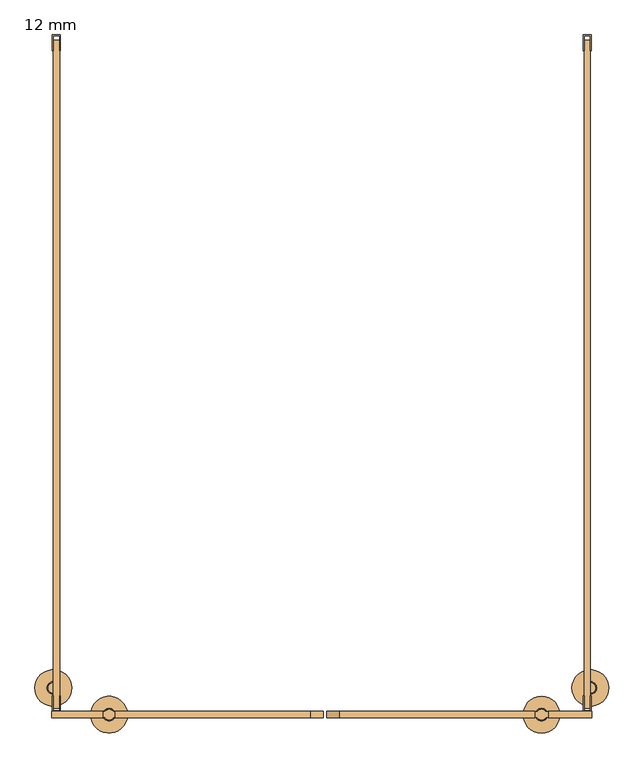
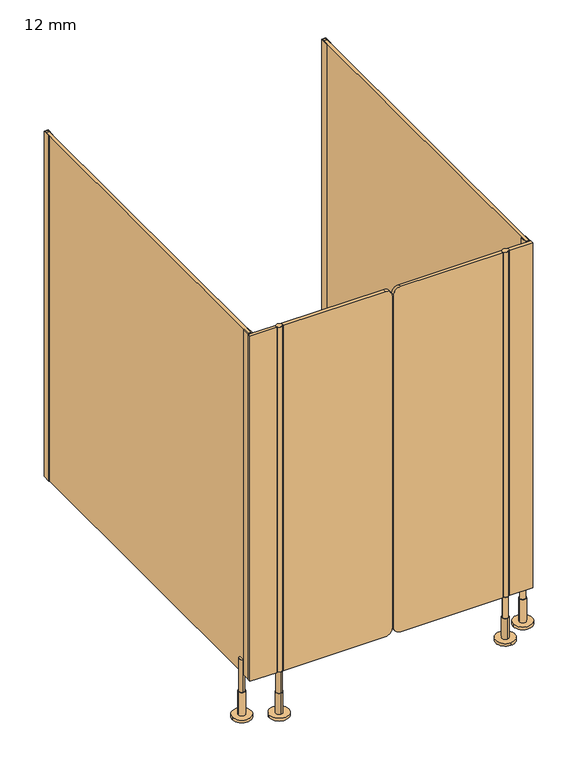
"""IFC4 building model written with IfcOpenShell, lengths in millimetres: door geometry, 12 mm."""

import ifcopenshell
import ifcopenshell.guid

model = None  # the IFC model being written
_history = None  # IfcOwnerHistory: only IFC2X3 demands one
_inside = {}  # id of a spatial element -> (the spatial element, [elements in it])
_under = {}  # id of a project, library or spatial element -> (it, [spatial elements below it])
_declared = {}  # id of a project -> (the project, [libraries it declares])
_typed = {}  # id of a type object -> (the type object, [elements of that type])
_made_of = {}  # id of a material, layer set ... -> (it, [elements and type objects made of it])


def new_model(schema):
    """Start an empty IFC model of exactly this schema.

    Asked for "IFC4X3", IfcOpenShell would pick the latest addendum, in which some entities
    have other attributes; the version numbers below select the first issue.
    IFC2X3 requires an IfcOwnerHistory on every rooted entity: one is made here for all.
    """
    global model, _history
    if schema == "IFC4X3":
        model = ifcopenshell.file(schema_version=(4, 3, 0, 0))
    else:
        model = ifcopenshell.file(schema=schema)
    _inside.clear()
    _under.clear()
    _declared.clear()
    _typed.clear()
    _made_of.clear()
    _history = None
    if model.schema == "IFC2X3":
        org = make("IfcOrganization", Name="unknown")
        user = make(
            "IfcPersonAndOrganization",
            ThePerson=make("IfcPerson", FamilyName="unknown"),
            TheOrganization=org,
        )
        app = make(
            "IfcApplication",
            ApplicationDeveloper=org,
            Version="unknown",
            ApplicationFullName="unknown",
            ApplicationIdentifier="unknown",
        )
        _history = make(
            "IfcOwnerHistory",
            OwningUser=user,
            OwningApplication=app,
            ChangeAction="ADDED",
            CreationDate=0,
        )
    return model


def make(cls, **values):
    """One entity of the class cls with the attributes given. An attribute that is None is left unset."""
    return model.create_entity(
        cls, **{name: value for name, value in values.items() if value is not None}
    )


def rooted(cls, **values):
    """An entity with a GlobalId (a new one), such as an element, a storey or a relation."""
    return make(cls, GlobalId=ifcopenshell.guid.new(), OwnerHistory=_history, **values)


def si_unit(unit_type, name, prefix=None):
    """IfcSIUnit, for example si_unit("LENGTHUNIT", "METRE", prefix="MILLI")."""
    return make("IfcSIUnit", UnitType=unit_type, Prefix=prefix, Name=name)


def assignment(units):
    """IfcUnitAssignment: the units of a project."""
    return None if units is None else make("IfcUnitAssignment", Units=units)


def point(xyz):
    """IfcCartesianPoint."""
    return None if xyz is None else make("IfcCartesianPoint", Coordinates=xyz)


def direction(xyz):
    """IfcDirection."""
    return None if xyz is None else make("IfcDirection", DirectionRatios=xyz)


def frame(location, z_axis=None, x_axis=None):
    """IfcAxis2Placement3D, a coordinate frame: its origin and axes. An axis left out is left unset."""
    return make(
        "IfcAxis2Placement3D",
        Location=point(location),
        Axis=direction(z_axis),
        RefDirection=direction(x_axis),
    )


def frame_2d(location, x_axis=None):
    """IfcAxis2Placement2D, a coordinate frame in the plane: its origin and x axis."""
    return make(
        "IfcAxis2Placement2D", Location=point(location), RefDirection=direction(x_axis)
    )


def origin():
    """The frame at (0, 0, 0) with its axes left unset."""
    return frame((0.0, 0.0, 0.0))


def place(relative_to, where):
    """IfcLocalPlacement: puts the frame where relative to a parent placement (None: the world)."""
    return make(
        "IfcLocalPlacement", PlacementRelTo=relative_to, RelativePlacement=where
    )


def context(
    kind, dimensions, precision=None, world=None, true_north=None, identifier=None
):
    """IfcGeometricRepresentationContext, for example the 3D "Model" context."""
    return make(
        "IfcGeometricRepresentationContext",
        ContextIdentifier=identifier,
        ContextType=kind,
        CoordinateSpaceDimension=dimensions,
        Precision=precision,
        WorldCoordinateSystem=world,
        TrueNorth=true_north,
    )


def project(units=None, contexts=None):
    """IfcProject with its units and contexts."""
    return rooted(
        "IfcProject",
        Name="project",
        RepresentationContexts=contexts,
        UnitsInContext=assignment(units),
    )


def spatial(cls, under=None, at=None, **own):
    """A site, building, storey or space (cls), placed at a placement, below another one or the project."""
    s = rooted(cls, ObjectPlacement=at, **own)
    if under is not None:
        _under.setdefault(under.id(), (under, []))[1].append(s)
    return s


def polyline(points):
    """IfcPolyline through the points."""
    return make("IfcPolyline", Points=[point(p) for p in points])


def circle_curve(where, radius):
    """IfcCircle in the frame where."""
    return make("IfcCircle", Position=where, Radius=radius)


def trimmed(basis, trim1, trim2, sense, master):
    """IfcTrimmedCurve: the piece of a basis curve between two trims."""
    return make(
        "IfcTrimmedCurve",
        BasisCurve=basis,
        Trim1=trim1,
        Trim2=trim2,
        SenseAgreement=sense,
        MasterRepresentation=master,
    )


def segment(curve, same_sense, transition):
    """IfcCompositeCurveSegment."""
    return make(
        "IfcCompositeCurveSegment",
        Transition=transition,
        SameSense=same_sense,
        ParentCurve=curve,
    )


def composite_curve(segments, self_intersect=None):
    """IfcCompositeCurve: segments joined end to end."""
    return make("IfcCompositeCurve", Segments=segments, SelfIntersect=self_intersect)


def outline(outer, holes=None, kind="AREA"):
    """IfcArbitraryClosedProfileDef: a profile drawn as a closed curve; with holes, ...WithVoids."""
    if holes is None:
        return make("IfcArbitraryClosedProfileDef", ProfileType=kind, OuterCurve=outer)
    return make(
        "IfcArbitraryProfileDefWithVoids",
        ProfileType=kind,
        OuterCurve=outer,
        InnerCurves=holes,
    )


def extrude(swept, where, along, depth):
    """IfcExtrudedAreaSolid: the profile swept, set in the frame where, extruded along a direction by depth."""
    return make(
        "IfcExtrudedAreaSolid",
        SweptArea=swept,
        Position=where,
        ExtrudedDirection=direction(along),
        Depth=depth,
    )


def shape(context_of_items, identifier, shape_type, items):
    """IfcShapeRepresentation: the items that make up one representation, for example the "Body"."""
    return make(
        "IfcShapeRepresentation",
        ContextOfItems=context_of_items,
        RepresentationIdentifier=identifier,
        RepresentationType=shape_type,
        Items=items,
    )


def source(mapping_origin, context_of_items, identifier, shape_type, items):
    """IfcRepresentationMap: a shape defined once, which mapped items show again and again."""
    return make(
        "IfcRepresentationMap",
        MappingOrigin=mapping_origin,
        MappedRepresentation=shape(context_of_items, identifier, shape_type, items),
    )


def transform(
    local_origin,
    x_axis=None,
    y_axis=None,
    z_axis=None,
    scale=None,
    scale2=None,
    scale3=None,
    uniform=True,
):
    """IfcCartesianTransformationOperator3D, or its non-uniform kind. x_axis, y_axis, z_axis: its Axis1, 2, 3."""
    if uniform:
        return make(
            "IfcCartesianTransformationOperator3D",
            Axis1=direction(x_axis),
            Axis2=direction(y_axis),
            LocalOrigin=point(local_origin),
            Scale=scale,
            Axis3=direction(z_axis),
        )
    return make(
        "IfcCartesianTransformationOperator3DnonUniform",
        Axis1=direction(x_axis),
        Axis2=direction(y_axis),
        LocalOrigin=point(local_origin),
        Scale=scale,
        Axis3=direction(z_axis),
        Scale2=scale2,
        Scale3=scale3,
    )


def mapped(mapping_source, mapping_target):
    """IfcMappedItem: shows the shape of a source again, moved by a transform."""
    return make(
        "IfcMappedItem", MappingSource=mapping_source, MappingTarget=mapping_target
    )


def made_of(thing, what):
    """Note that an element or type object is made of a material, layer set ...; save() writes the relation."""
    if what is not None:
        _made_of.setdefault(what.id(), (what, []))[1].append(thing)
    return thing


def element(
    cls,
    number,
    at=None,
    inside=None,
    cuts=None,
    type_object=None,
    material=None,
    context=None,
    identifier="Body",
    shape_type=None,
    held_by="IfcProductDefinitionShape",
    body=None,
    shapes=None,
    **own,
):
    """One element of the class cls, such as IfcWall. Its Tag is "e" and its number.

    at: its placement. inside: the storey or other place that contains it. cuts: it is an
    opening in that element (IfcRelVoidsElement). A single representation is given by context,
    identifier, shape_type and body (its items); several are given by shapes. held_by: the class
    of the entity that holds the representations. save() writes the other relations.
    """
    e = rooted(cls, Tag="e%d" % number, ObjectPlacement=at, **own)
    if body is not None:
        shapes = [shape(context, identifier, shape_type, body)]
    if shapes is not None:
        e.Representation = make(held_by, Representations=shapes)
    if inside is not None:
        _inside.setdefault(inside.id(), (inside, []))[1].append(e)
    if cuts is not None:
        rooted(
            "IfcRelVoidsElement", RelatingBuildingElement=cuts, RelatedOpeningElement=e
        )
    if type_object is not None:
        _typed.setdefault(type_object.id(), (type_object, []))[1].append(e)
    return made_of(e, material)


def aggregate(whole, parts):
    """IfcRelAggregates: a whole, such as a stair, and the parts it consists of."""
    return rooted("IfcRelAggregates", RelatingObject=whole, RelatedObjects=parts)


def save(model, path):
    """Write the relations noted so far, then the file.

    IfcRelAggregates (storeys below a building ...), IfcRelContainedInSpatialStructure (elements
    in a storey), IfcRelDefinesByType, IfcRelAssociatesMaterial and IfcRelDeclares: one each for
    every whole, place, type object, material and project.
    """
    for whole, parts in _under.values():
        aggregate(whole, parts)
    for where, things in _inside.values():
        rooted(
            "IfcRelContainedInSpatialStructure",
            RelatedElements=things,
            RelatingStructure=where,
        )
    for kind, things in _typed.values():
        rooted("IfcRelDefinesByType", RelatedObjects=things, RelatingType=kind)
    for what, things in _made_of.values():
        rooted("IfcRelAssociatesMaterial", RelatedObjects=things, RelatingMaterial=what)
    for by, libraries in _declared.values():
        rooted("IfcRelDeclares", RelatingContext=by, RelatedDefinitions=libraries)
    model.write(path)


def plane_surface(at):
    """IfcPlane: the flat surface through the origin of the frame at, square to its z axis."""
    return make("IfcPlane", Position=at)


def cylinder_surface(at, radius):
    """IfcCylindricalSurface: all points at the distance radius from the z axis of the frame at."""
    return make("IfcCylindricalSurface", Position=at, Radius=radius)


def advanced_brep(points, edges, surfaces, faces):
    """IfcAdvancedBrep: a solid bounded by faces that lie on surfaces and meet in shared edges.

    An edge is (start, end): straight between two places in points (the first is 0);
    or (start, end, curve); or (start, end, curve, False) where it runs against its curve.
    A face is (place in surfaces, loops), or (place, loops, False) where it looks against
    its surface's normal. A loop lists edges by number (the first is 1), with a minus sign
    where the edge is run from its end to its start. The first loop is the outer one.
    """
    corners = [point(p) for p in points]
    vertices = [make("IfcVertexPoint", VertexGeometry=c) for c in corners]
    made = []
    for start, end, *more in edges:
        made.append(
            make(
                "IfcEdgeCurve",
                EdgeStart=vertices[start],
                EdgeEnd=vertices[end],
                EdgeGeometry=more[0] if more else make("IfcPolyline", Points=[corners[start], corners[end]]),
                SameSense=more[1] if len(more) > 1 else True,
            )
        )
    hull = []
    for where, loops, *sense in faces:
        bounds = []
        for j, loop in enumerate(loops):
            ring = [make("IfcOrientedEdge", EdgeElement=made[abs(k) - 1], Orientation=k > 0) for k in loop]
            bounds.append(
                make(
                    "IfcFaceOuterBound" if j == 0 else "IfcFaceBound",
                    Bound=make("IfcEdgeLoop", EdgeList=ring),
                    Orientation=True,
                )
            )
        hull.append(make("IfcAdvancedFace", Bounds=bounds, FaceSurface=surfaces[where], SameSense=sense[0] if sense else True))
    return make("IfcAdvancedBrep", Outer=make("IfcClosedShell", CfsFaces=hull))


def door_12_mm_bc3233fb(model_context):
    return source(origin(), model_context, "Body", "SolidModel", [
        advanced_brep(
        [(429.0, -1296.0, 170.0), (409.0, -1296.0, 170.0), (409.0, -1296.0, 90.0), (429.0, -1296.0, 90.0), (419.0, -1284.0, 90.0), (419.0, -1308.0, 90.0), (419.0, -1284.0, 10.0), (419.0, -1308.0, 10.0), (419.0, -1261.0, 10.0), (419.0, -1331.0, 10.0), (419.0, -1261.0, 0.0), (419.0, -1331.0, 0.0)],
        [
            (0, 1, circle_curve(frame((419.0, -1296.0, 170.0), z_axis=(0.0, 0.0, 1.0), x_axis=(-1.0, 0.0, 0.0)), 10.0)),
            (1, 0, circle_curve(frame((419.0, -1296.0, 170.0), z_axis=(0.0, 0.0, 1.0), x_axis=(-1.0, 0.0, 0.0)), 10.0)),
            (1, 2),
            (2, 3, circle_curve(frame((419.0, -1296.0, 90.0), z_axis=(0.0, 0.0, 1.0), x_axis=(-1.0, 0.0, 0.0)), 10.0)),
            (3, 0),
            (3, 2, circle_curve(frame((419.0, -1296.0, 90.0), z_axis=(0.0, 0.0, 1.0), x_axis=(-1.0, 0.0, 0.0)), 10.0)),
            (4, 5, circle_curve(frame((419.0, -1296.0, 90.0), z_axis=(0.0, 0.0, 1.0), x_axis=(0.0, -1.0, 0.0)), 12.0)),
            (5, 4, circle_curve(frame((419.0, -1296.0, 90.0), z_axis=(0.0, 0.0, 1.0), x_axis=(0.0, -1.0, 0.0)), 12.0)),
            (4, 6),
            (6, 7, circle_curve(frame((419.0, -1296.0, 10.0), z_axis=(0.0, 0.0, 1.0), x_axis=(0.0, -1.0, 0.0)), 12.0)),
            (7, 5),
            (7, 6, circle_curve(frame((419.0, -1296.0, 10.0), z_axis=(0.0, 0.0, 1.0), x_axis=(0.0, -1.0, 0.0)), 12.0)),
            (8, 9, circle_curve(frame((419.0, -1296.0, 10.0), z_axis=(0.0, 0.0, 1.0), x_axis=(0.0, -1.0, 0.0)), 35.0)),
            (9, 8, circle_curve(frame((419.0, -1296.0, 10.0), z_axis=(0.0, 0.0, 1.0), x_axis=(0.0, -1.0, 0.0)), 35.0)),
            (10, 11, circle_curve(frame((419.0, -1296.0, 0.0), z_axis=(0.0, 0.0, -1.0), x_axis=(0.0, -1.0, 0.0)), 35.0)),
            (11, 10, circle_curve(frame((419.0, -1296.0, 0.0), z_axis=(0.0, 0.0, -1.0), x_axis=(0.0, -1.0, 0.0)), 35.0)),
            (8, 10),
            (11, 9),
        ],
        [
            plane_surface(frame((419.0, -1290.0, 170.0), z_axis=(0.0, 0.0, 1.0), x_axis=(0.0, -1.0, 0.0))),
            cylinder_surface(frame((419.0, -1296.0, 90.0), z_axis=(0.0, 0.0, -1.0), x_axis=(-1.0, 0.0, 0.0)), 10.0),
            plane_surface(frame((419.0, -1290.0, 90.0), z_axis=(0.0, 0.0, 1.0), x_axis=(0.0, -1.0, 0.0))),
            cylinder_surface(frame((419.0, -1296.0, 90.0), z_axis=(0.0, 0.0, 1.0), x_axis=(0.0, -1.0, 0.0)), 12.0),
            plane_surface(frame((419.0, -1290.0, 10.0), z_axis=(0.0, 0.0, 1.0), x_axis=(0.0, -1.0, 0.0))),
            plane_surface(frame((419.0, -1290.0, 0.0), z_axis=(0.0, 0.0, -1.0), x_axis=(0.0, -1.0, 0.0))),
            cylinder_surface(frame((419.0, -1296.0, 10.0), z_axis=(0.0, 0.0, 1.0), x_axis=(0.0, -1.0, 0.0)), 35.0),
        ],
        [
            (0, [[1, 2]]),
            (1, [[-2, 3, 4, 5]]),
            (1, [[-1, -5, 6, -3]]),
            (2, [[7, 8], [-4, -6]]),
            (3, [[-7, 9, 10, 11]]),
            (3, [[-8, -11, 12, -9]]),
            (4, [[13, 14], [-10, -12]]),
            (5, [[15, 16]]),
            (6, [[-13, 17, -16, 18]]),
            (6, [[-14, -18, -15, -17]]),
        ],
    ),
        advanced_brep(
        [(-405.5, -1306.0, 170.0), (-405.5, -1286.0, 170.0), (-405.5, -1286.0, 90.0), (-405.5, -1306.0, 90.0), (-405.5, -1284.0, 90.0), (-405.5, -1308.0, 90.0), (-405.5, -1284.0, 10.0), (-405.5, -1308.0, 10.0), (-370.5, -1296.0, 0.0), (-440.5, -1296.0, 0.0), (-370.5, -1296.0, 10.0), (-440.5, -1296.0, 10.0)],
        [
            (0, 1, circle_curve(frame((-405.5, -1296.0, 170.0), z_axis=(0.0, 0.0, -1.0), x_axis=(0.0, -1.0, 0.0)), 10.0)),
            (1, 2),
            (2, 3, circle_curve(frame((-405.5, -1296.0, 90.0), z_axis=(0.0, 0.0, 1.0), x_axis=(0.0, -1.0, 0.0)), 10.0)),
            (3, 0),
            (1, 0, circle_curve(frame((-405.5, -1296.0, 170.0), z_axis=(0.0, 0.0, -1.0), x_axis=(0.0, -1.0, 0.0)), 10.0)),
            (3, 2, circle_curve(frame((-405.5, -1296.0, 90.0), z_axis=(0.0, 0.0, 1.0), x_axis=(0.0, -1.0, 0.0)), 10.0)),
            (4, 5, circle_curve(frame((-405.5, -1296.0, 90.0), z_axis=(0.0, 0.0, 1.0), x_axis=(0.0, -1.0, 0.0)), 12.0)),
            (5, 4, circle_curve(frame((-405.5, -1296.0, 90.0), z_axis=(0.0, 0.0, 1.0), x_axis=(0.0, -1.0, 0.0)), 12.0)),
            (4, 6),
            (6, 7, circle_curve(frame((-405.5, -1296.0, 10.0), z_axis=(0.0, 0.0, 1.0), x_axis=(0.0, -1.0, 0.0)), 12.0)),
            (7, 5),
            (7, 6, circle_curve(frame((-405.5, -1296.0, 10.0), z_axis=(0.0, 0.0, 1.0), x_axis=(0.0, -1.0, 0.0)), 12.0)),
            (8, 9, circle_curve(frame((-405.5, -1296.0, 0.0), z_axis=(0.0, 0.0, -1.0), x_axis=(-1.0, 0.0, 0.0)), 35.0)),
            (9, 8, circle_curve(frame((-405.5, -1296.0, 0.0), z_axis=(0.0, 0.0, -1.0), x_axis=(-1.0, 0.0, 0.0)), 35.0)),
            (10, 11, circle_curve(frame((-405.5, -1296.0, 10.0), z_axis=(0.0, 0.0, 1.0), x_axis=(-1.0, 0.0, 0.0)), 35.0)),
            (11, 10, circle_curve(frame((-405.5, -1296.0, 10.0), z_axis=(0.0, 0.0, 1.0), x_axis=(-1.0, 0.0, 0.0)), 35.0)),
            (8, 10),
            (11, 9),
        ],
        [
            cylinder_surface(frame((-405.5, -1296.0, 170.0), z_axis=(0.0, 0.0, 1.0), x_axis=(0.0, -1.0, 0.0)), 10.0),
            plane_surface(frame((-405.5, -1290.0, 90.0), z_axis=(0.0, 0.0, 1.0), x_axis=(0.0, -1.0, 0.0))),
            cylinder_surface(frame((-405.5, -1296.0, 90.0), z_axis=(0.0, 0.0, 1.0), x_axis=(0.0, -1.0, 0.0)), 12.0),
            plane_surface(frame((-405.5, -1290.0, 0.0), z_axis=(0.0, 0.0, -1.0), x_axis=(0.0, -1.0, 0.0))),
            plane_surface(frame((-405.5, -1290.0, 10.0), z_axis=(0.0, 0.0, 1.0), x_axis=(0.0, -1.0, 0.0))),
            cylinder_surface(frame((-405.5, -1296.0, 0.0), z_axis=(0.0, 0.0, -1.0), x_axis=(-1.0, 0.0, 0.0)), 35.0),
            plane_surface(frame((-405.5, -1290.0, 170.0), z_axis=(0.0, 0.0, 1.0), x_axis=(0.0, -1.0, 0.0))),
        ],
        [
            (0, [[1, 2, 3, 4]]),
            (0, [[5, -4, 6, -2]]),
            (1, [[7, 8], [-3, -6]]),
            (2, [[-7, 9, 10, 11]]),
            (2, [[-8, -11, 12, -9]]),
            (3, [[13, 14]]),
            (4, [[15, 16], [-10, -12]]),
            (5, [[-13, 17, -16, 18]]),
            (5, [[-14, -18, -15, -17]]),
            (6, [[-1, -5]]),
        ],
    ),
        extrude(outline(composite_curve([segment(polyline([(170.0, 406.0), (1500.0, 406.0), (1500.0, 34.0002203)]), True, "CONTINUOUS"), segment(trimmed(circle_curve(frame_2d((1475.0, 34.0002203)), 25.0), [point((1500.0, 34.0002203))], [point((1475.0, 9.0002203))], False, "CARTESIAN"), True, "CONTINUOUS"), segment(polyline([(1475.0, 9.0002203), (195.0, 9.0002203)]), True, "CONTINUOUS"), segment(trimmed(circle_curve(frame_2d((195.0, 34.0002203)), 25.0), [point((195.0, 9.0002203))], [point((170.0, 34.0002203))], False, "CARTESIAN"), True, "CONTINUOUS"), segment(polyline([(170.0, 34.0002203), (170.0, 406.0)]), True, "CONTINUOUS")], self_intersect=False)), frame((0.0, -1302.0, 0.0), z_axis=(0.0, 1.0, 0.0), x_axis=(0.0, 0.0, 1.0)), (0.0, 0.0, 1.0), 12.0),
        extrude(outline(composite_curve([segment(polyline([(1500.0, -394.0), (170.0, -394.0), (170.0, -22.0002203)]), True, "CONTINUOUS"), segment(trimmed(circle_curve(frame_2d((195.0, -22.0002203)), 25.0), [point((170.0, -22.0002203))], [point((195.0, 2.9997797))], False, "CARTESIAN"), True, "CONTINUOUS"), segment(polyline([(195.0, 2.9997797), (1475.0, 2.9997797)]), True, "CONTINUOUS"), segment(trimmed(circle_curve(frame_2d((1475.0, -22.0002203)), 25.0), [point((1475.0, 2.9997797))], [point((1500.0, -22.0002203))], False, "CARTESIAN"), True, "CONTINUOUS"), segment(polyline([(1500.0, -22.0002203), (1500.0, -394.0)]), True, "CONTINUOUS")], self_intersect=False)), frame((0.0, -1302.0, 0.0), z_axis=(0.0, 1.0, 0.0), x_axis=(0.0, 0.0, 1.0)), (0.0, 0.0, 1.0), 12.0),
        extrude(outline(composite_curve([segment(trimmed(circle_curve(frame_2d((-405.5, -1296.0)), 10.0), [point((-413.5, -1290.0))], [point((-397.5, -1290.0))], False, "CARTESIAN"), True, "CONTINUOUS"), segment(trimmed(circle_curve(frame_2d((-405.5, -1296.0)), 10.0), [point((-397.5, -1290.0))], [point((-396.8391323, -1291.0010631))], False, "CARTESIAN"), True, "CONTINUOUS"), segment(polyline([(-396.8391323, -1291.0010631), (-394.0, -1291.0010631), (-394.0, -1300.9989369), (-396.8391323, -1300.9989369)]), True, "CONTINUOUS"), segment(trimmed(circle_curve(frame_2d((-405.5, -1296.0)), 10.0), [point((-396.8391323, -1300.9989369))], [point((-414.1608677, -1300.9989369))], False, "CARTESIAN"), True, "CONTINUOUS"), segment(polyline([(-414.1608677, -1300.9989369), (-417.0, -1300.9989369), (-417.0, -1291.0010631), (-414.1608677, -1291.0010631)]), True, "CONTINUOUS"), segment(trimmed(circle_curve(frame_2d((-405.5, -1296.0)), 10.0), [point((-414.1608677, -1291.0010631))], [point((-413.5, -1290.0))], False, "CARTESIAN"), True, "CONTINUOUS")], self_intersect=False)), frame((0.0, 0.0, 170.0), z_axis=(0.0, 0.0, 1.0), x_axis=(1.0, 0.0, 0.0)), (0.0, 0.0, 1.0), 1330.0),
        extrude(outline(composite_curve([segment(trimmed(circle_curve(frame_2d((419.0, -1296.0)), 10.0), [point((427.6608677, -1300.9989369))], [point((410.3391323, -1300.9989369))], False, "CARTESIAN"), True, "CONTINUOUS"), segment(polyline([(410.3391323, -1300.9989369), (406.0, -1300.9989369), (406.0, -1291.0010631), (410.3391323, -1291.0010631)]), True, "CONTINUOUS"), segment(trimmed(circle_curve(frame_2d((419.0, -1296.0)), 10.0), [point((410.3391323, -1291.0010631))], [point((427.6608677, -1291.0010631))], False, "CARTESIAN"), True, "CONTINUOUS"), segment(polyline([(427.6608677, -1291.0010631), (432.0, -1291.0010631), (432.0, -1300.9989369), (427.6608677, -1300.9989369)]), True, "CONTINUOUS")], self_intersect=False)), frame((0.0, 0.0, 170.0), z_axis=(0.0, 0.0, 1.0), x_axis=(1.0, 0.0, 0.0)), (0.0, 0.0, 1.0), 1330.0),
        extrude(outline(polyline([(498.5, 0.0), (513.5, 0.0), (513.5, -30.0), (512.0, -30.0), (512.0, -1.5), (500.0, -1.5), (500.0, -30.0), (498.5, -30.0), (498.5, 0.0)])), frame((0.0, 0.0, 170.0), z_axis=(0.0, 0.0, 1.0), x_axis=(1.0, 0.0, 0.0)), (0.0, 0.0, 1.0), 1330.0),
        extrude(outline(polyline([(-513.5, 0.0), (-498.5, 0.0), (-498.5, -30.0), (-500.0, -30.0), (-500.0, -1.5), (-512.0, -1.5), (-512.0, -30.0), (-513.5, -30.0), (-513.5, 0.0)])), frame((0.0, 0.0, 170.0), z_axis=(0.0, 0.0, 1.0), x_axis=(1.0, 0.0, 0.0)), (0.0, 0.0, 1.0), 1330.0),
        extrude(outline(polyline([(432.0, -1290.0), (515.0, -1290.0), (515.0, -1302.0), (432.0, -1302.0), (432.0, -1290.0)])), frame((0.0, 0.0, 170.0), z_axis=(0.0, 0.0, 1.0), x_axis=(1.0, 0.0, 0.0)), (0.0, 0.0, 1.0), 1330.0),
        extrude(outline(polyline([(-417.0, -1290.0), (-417.0, -1302.0), (-515.0, -1302.0), (-515.0, -1290.0), (-417.0, -1290.0)])), frame((0.0, 0.0, 170.0), z_axis=(0.0, 0.0, 1.0), x_axis=(1.0, 0.0, 0.0)), (0.0, 0.0, 1.0), 1330.0),
        extrude(outline(polyline([(513.5, -1290.0), (498.5, -1290.0), (498.5, -1260.0), (500.0, -1260.0), (500.0, -1288.5), (512.0, -1288.5), (512.0, -1260.0), (513.5, -1260.0), (513.5, -1290.0)])), frame((0.0, 0.0, 170.0), z_axis=(0.0, 0.0, 1.0), x_axis=(1.0, 0.0, 0.0)), (0.0, 0.0, 1.0), 1330.0),
        extrude(outline(polyline([(-498.5, -1290.0), (-513.5, -1290.0), (-513.5, -1260.0), (-512.0, -1260.0), (-512.0, -1288.5), (-500.0, -1288.5), (-500.0, -1260.0), (-498.5, -1260.0), (-498.5, -1290.0)])), frame((0.0, 0.0, 170.0), z_axis=(0.0, 0.0, 1.0), x_axis=(1.0, 0.0, 0.0)), (0.0, 0.0, 1.0), 1330.0),
        advanced_brep(
        [(477.0, -1245.0, 0.0), (547.0, -1245.0, 0.0), (477.0, -1245.0, 10.0), (547.0, -1245.0, 10.0), (500.0, -1245.0, 10.0), (524.0, -1245.0, 10.0), (500.0, -1245.0, 100.0), (524.0, -1245.0, 100.0), (502.0, -1245.0, 100.0), (522.0, -1245.0, 100.0), (502.0, -1245.0, 225.5), (522.0, -1245.0, 225.5)],
        [
            (0, 1, circle_curve(frame((512.0, -1245.0, 0.0), z_axis=(0.0, 0.0, -1.0), x_axis=(1.0, 0.0, 0.0)), 35.0)),
            (1, 0, circle_curve(frame((512.0, -1245.0, 0.0), z_axis=(0.0, 0.0, -1.0), x_axis=(1.0, 0.0, 0.0)), 35.0)),
            (2, 3, circle_curve(frame((512.0, -1245.0, 10.0), z_axis=(0.0, 0.0, 1.0), x_axis=(1.0, 0.0, 0.0)), 35.0)),
            (3, 2, circle_curve(frame((512.0, -1245.0, 10.0), z_axis=(0.0, 0.0, 1.0), x_axis=(1.0, 0.0, 0.0)), 35.0)),
            (4, 5, circle_curve(frame((512.0, -1245.0, 10.0), z_axis=(0.0, 0.0, -1.0), x_axis=(1.0, 0.0, 0.0)), 12.0)),
            (5, 4, circle_curve(frame((512.0, -1245.0, 10.0), z_axis=(0.0, 0.0, -1.0), x_axis=(1.0, 0.0, 0.0)), 12.0)),
            (0, 2),
            (3, 1),
            (6, 7, circle_curve(frame((512.0, -1245.0, 100.0), z_axis=(0.0, 0.0, 1.0), x_axis=(1.0, 0.0, 0.0)), 12.0)),
            (7, 6, circle_curve(frame((512.0, -1245.0, 100.0), z_axis=(0.0, 0.0, 1.0), x_axis=(1.0, 0.0, 0.0)), 12.0)),
            (8, 9, circle_curve(frame((512.0, -1245.0, 100.0), z_axis=(0.0, 0.0, -1.0), x_axis=(1.0, 0.0, 0.0)), 10.0)),
            (9, 8, circle_curve(frame((512.0, -1245.0, 100.0), z_axis=(0.0, 0.0, -1.0), x_axis=(1.0, 0.0, 0.0)), 10.0)),
            (7, 5),
            (4, 6),
            (10, 11, circle_curve(frame((512.0, -1245.0, 225.5), z_axis=(0.0, 0.0, 1.0), x_axis=(1.0, 0.0, 0.0)), 10.0)),
            (11, 10, circle_curve(frame((512.0, -1245.0, 225.5), z_axis=(0.0, 0.0, 1.0), x_axis=(1.0, 0.0, 0.0)), 10.0)),
            (11, 9),
            (8, 10),
        ],
        [
            plane_surface(frame((506.0, -1296.0, 0.0), z_axis=(0.0, 0.0, -1.0), x_axis=(0.0, 1.0, 0.0))),
            plane_surface(frame((506.0, -1296.0, 10.0), z_axis=(0.0, 0.0, 1.0), x_axis=(0.0, 1.0, 0.0))),
            cylinder_surface(frame((512.0, -1245.0, 0.0), z_axis=(0.0, 0.0, -1.0), x_axis=(1.0, 0.0, 0.0)), 35.0),
            plane_surface(frame((506.0, -1296.0, 100.0), z_axis=(0.0, 0.0, 1.0), x_axis=(0.0, 1.0, 0.0))),
            cylinder_surface(frame((512.0, -1245.0, 10.0), z_axis=(0.0, 0.0, -1.0), x_axis=(1.0, 0.0, 0.0)), 12.0),
            plane_surface(frame((506.0, -1296.0, 225.5), z_axis=(0.0, 0.0, 1.0), x_axis=(0.0, 1.0, 0.0))),
            cylinder_surface(frame((512.0, -1245.0, 100.0), z_axis=(0.0, 0.0, -1.0), x_axis=(1.0, 0.0, 0.0)), 10.0),
        ],
        [
            (0, [[1, 2]]),
            (1, [[3, 4], [5, 6]]),
            (2, [[-1, 7, -4, 8]]),
            (2, [[-2, -8, -3, -7]]),
            (3, [[9, 10], [11, 12]]),
            (4, [[-10, 13, -5, 14]]),
            (4, [[-9, -14, -6, -13]]),
            (5, [[15, 16]]),
            (6, [[-16, 17, -11, 18]]),
            (6, [[-15, -18, -12, -17]]),
        ],
    ),
        advanced_brep(
        [(-547.0, -1245.0, 0.0), (-477.0, -1245.0, 0.0), (-547.0, -1245.0, 10.0), (-477.0, -1245.0, 10.0), (-524.0, -1245.0, 10.0), (-500.0, -1245.0, 10.0), (-524.0, -1245.0, 100.0), (-500.0, -1245.0, 100.0), (-512.0, -1235.0, 100.0), (-512.0, -1255.0, 100.0), (-512.0, -1255.0, 225.5), (-512.0, -1235.0, 225.5)],
        [
            (0, 1, circle_curve(frame((-512.0, -1245.0, 0.0), z_axis=(0.0, 0.0, -1.0), x_axis=(1.0, 0.0, 0.0)), 35.0)),
            (1, 0, circle_curve(frame((-512.0, -1245.0, 0.0), z_axis=(0.0, 0.0, -1.0), x_axis=(1.0, 0.0, 0.0)), 35.0)),
            (2, 3, circle_curve(frame((-512.0, -1245.0, 10.0), z_axis=(0.0, 0.0, 1.0), x_axis=(1.0, 0.0, 0.0)), 35.0)),
            (3, 2, circle_curve(frame((-512.0, -1245.0, 10.0), z_axis=(0.0, 0.0, 1.0), x_axis=(1.0, 0.0, 0.0)), 35.0)),
            (4, 5, circle_curve(frame((-512.0, -1245.0, 10.0), z_axis=(0.0, 0.0, -1.0), x_axis=(1.0, 0.0, 0.0)), 12.0)),
            (5, 4, circle_curve(frame((-512.0, -1245.0, 10.0), z_axis=(0.0, 0.0, -1.0), x_axis=(1.0, 0.0, 0.0)), 12.0)),
            (0, 2),
            (3, 1),
            (6, 7, circle_curve(frame((-512.0, -1245.0, 100.0), z_axis=(0.0, 0.0, 1.0), x_axis=(1.0, 0.0, 0.0)), 12.0)),
            (7, 6, circle_curve(frame((-512.0, -1245.0, 100.0), z_axis=(0.0, 0.0, 1.0), x_axis=(1.0, 0.0, 0.0)), 12.0)),
            (8, 9, circle_curve(frame((-512.0, -1245.0, 100.0), z_axis=(0.0, 0.0, -1.0), x_axis=(0.0, 1.0, 0.0)), 10.0)),
            (9, 8, circle_curve(frame((-512.0, -1245.0, 100.0), z_axis=(0.0, 0.0, -1.0), x_axis=(0.0, 1.0, 0.0)), 10.0)),
            (7, 5),
            (4, 6),
            (10, 11, circle_curve(frame((-512.0, -1245.0, 225.5), z_axis=(0.0, 0.0, 1.0), x_axis=(0.0, 1.0, 0.0)), 10.0)),
            (11, 10, circle_curve(frame((-512.0, -1245.0, 225.5), z_axis=(0.0, 0.0, 1.0), x_axis=(0.0, 1.0, 0.0)), 10.0)),
            (10, 9),
            (8, 11),
        ],
        [
            plane_surface(frame((-506.0, -1296.0, 0.0), z_axis=(0.0, 0.0, -1.0), x_axis=(0.0, 1.0, 0.0))),
            plane_surface(frame((-506.0, -1296.0, 10.0), z_axis=(0.0, 0.0, 1.0), x_axis=(0.0, 1.0, 0.0))),
            cylinder_surface(frame((-512.0, -1245.0, 0.0), z_axis=(0.0, 0.0, -1.0), x_axis=(1.0, 0.0, 0.0)), 35.0),
            plane_surface(frame((-506.0, -1405.0, 100.0), z_axis=(0.0, 0.0, 1.0), x_axis=(0.0, 1.0, 0.0))),
            cylinder_surface(frame((-512.0, -1245.0, 10.0), z_axis=(0.0, 0.0, -1.0), x_axis=(1.0, 0.0, 0.0)), 12.0),
            plane_surface(frame((-506.0, -1296.0, 225.5), z_axis=(0.0, 0.0, 1.0), x_axis=(0.0, 1.0, 0.0))),
            cylinder_surface(frame((-512.0, -1245.0, 225.5), z_axis=(0.0, 0.0, 1.0), x_axis=(0.0, 1.0, 0.0)), 10.0),
        ],
        [
            (0, [[1, 2]]),
            (1, [[3, 4], [5, 6]]),
            (2, [[-1, 7, -4, 8]]),
            (2, [[-2, -8, -3, -7]]),
            (3, [[9, 10], [11, 12]]),
            (4, [[-10, 13, -5, 14]]),
            (4, [[-9, -14, -6, -13]]),
            (5, [[15, 16]]),
            (6, [[-15, 17, -11, 18]]),
            (6, [[-16, -18, -12, -17]]),
        ],
    ),
        extrude(outline(polyline([(512.0, -10.0), (512.0, -1284.0), (500.0, -1284.0), (500.0, -10.0), (512.0, -10.0)])), frame((0.0, 0.0, 170.0), z_axis=(0.0, 0.0, 1.0), x_axis=(1.0, 0.0, 0.0)), (0.0, 0.0, 1.0), 1330.0),
        extrude(outline(polyline([(-512.0, -10.0), (-500.0, -10.0), (-500.0, -1284.0), (-512.0, -1284.0), (-512.0, -10.0)])), frame((0.0, 0.0, 170.0), z_axis=(0.0, 0.0, 1.0), x_axis=(1.0, 0.0, 0.0)), (0.0, 0.0, 1.0), 1330.0),
    ])


if __name__ == "__main__":
    model = new_model("IFC4")
    model_context = context("Model", 3, world=origin())
    ifc_project = project(units=[si_unit("LENGTHUNIT", "METRE", prefix="MILLI")], contexts=[model_context])
    site = spatial("IfcSite", under=ifc_project)
    building = spatial("IfcBuilding", under=site)
    placement = place(None, origin())
    door_12_mm_shape = door_12_mm_bc3233fb(model_context)
    element("IfcDoor", 1, ObjectType="12 mm", at=placement, inside=building, context=model_context, shape_type="MappedRepresentation", body=[
        mapped(door_12_mm_shape, transform((0.0, 0.0, 0.0), x_axis=(1.0, 0.0, 0.0), y_axis=(0.0, 1.0, 0.0), z_axis=(0.0, 0.0, 1.0))),
    ])
    save(model, "model.ifc")
